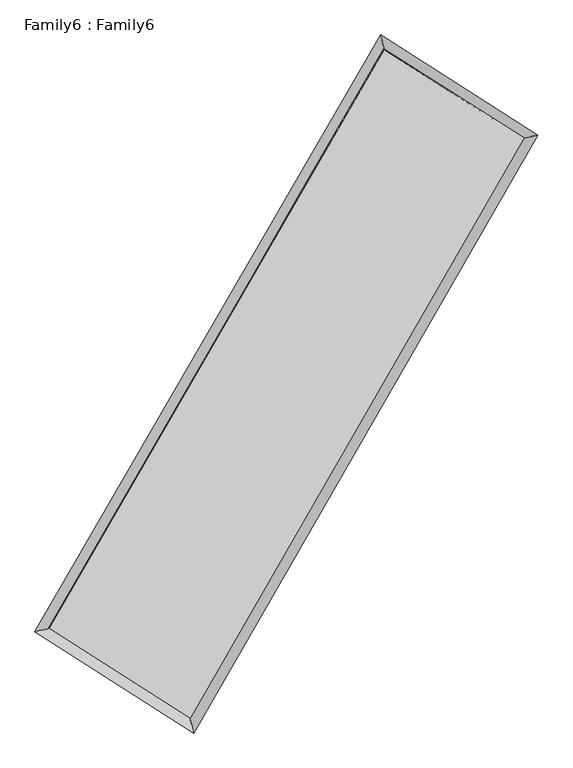
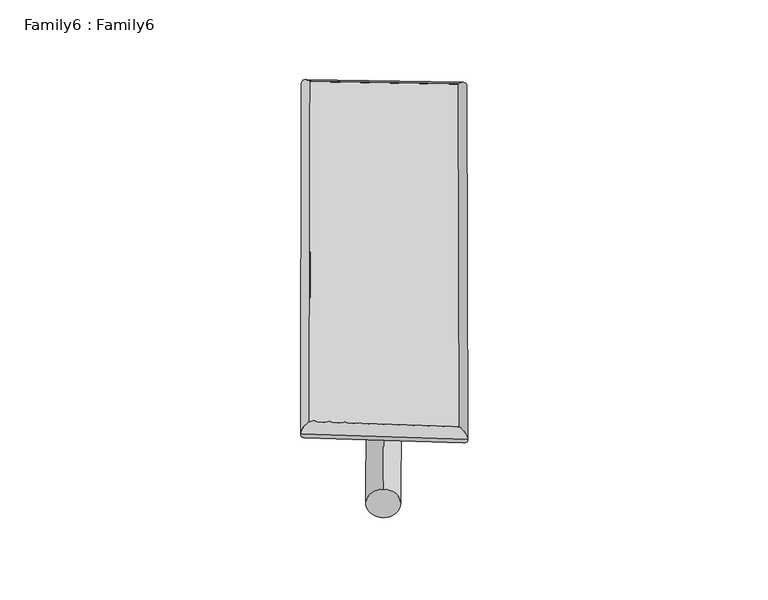
"""IFC4 building model written with IfcOpenShell, lengths in millimetres: plate geometry, Family6 : Family6."""

from ifc_helpers import new_model, si_unit, point, frame, origin, origin_2d, place, context, project, spatial, circle_curve, ellipse_curve, trimmed, segment, composite_curve, outline, extrude, source, transform, mapped, element, save
from ifc_brep_helpers import plane_surface, cylinder_surface, spline_surface, advanced_brep


def family6_family6_00d9a3b5(model_context):
    return source(origin(), model_context, "Body", "SolidModel", [
        extrude(outline(composite_curve([segment(trimmed(circle_curve(origin_2d(), 76.2), [point((-75.4341514, -10.7763074))], [point((75.4341514, 10.7763074))], False, "CARTESIAN"), True, "CONTINUOUS"), segment(trimmed(circle_curve(origin_2d(), 76.2), [point((75.4341514, 10.7763074))], [point((-75.4341514, -10.7763074))], False, "CARTESIAN"), True, "CONTINUOUS")], self_intersect=False)), frame((9144.0, 9144.0, 0.0), z_axis=(0.6684964167530749, 0.6898735226303996, 0.27782559918377353), x_axis=(-0.6821683046090045, 0.7175835008747747, -0.14042906913876038)), (0.0, 0.0, 1.0), 5527.118424),
        extrude(outline(composite_curve([segment(trimmed(circle_curve(origin_2d(), 76.2), [point((-53.8815367, 53.8815367))], [point((53.8815367, -53.8815367))], False, "CARTESIAN"), True, "CONTINUOUS"), segment(trimmed(circle_curve(origin_2d(), 76.2), [point((53.8815367, -53.8815367))], [point((-53.8815367, 53.8815367))], False, "CARTESIAN"), True, "CONTINUOUS")], self_intersect=False)), frame((9144.0, 9144.0, 0.0), z_axis=(-0.6703947505320099, -0.6880836552772183, 0.27769004627365856), x_axis=(0.6449588809302986, -0.35532830629175466, 0.6765869025165725)), (0.0, 0.0, 1.0), 5529.8247478),
        extrude(outline(composite_curve([segment(trimmed(circle_curve(origin_2d(), 76.2), [point((-53.8815367, -53.8815367))], [point((53.8815367, 53.8815367))], False, "CARTESIAN"), True, "CONTINUOUS"), segment(trimmed(circle_curve(origin_2d(), 76.2), [point((53.8815367, 53.8815367))], [point((-53.8815367, -53.8815367))], False, "CARTESIAN"), True, "CONTINUOUS")], self_intersect=False)), frame((9144.0, 9144.0, 0.0), z_axis=(0.2685403047479636, 0.925147221871862, 0.26830714226171226), x_axis=(-0.8403626387531976, 0.3611488391559121, -0.4041808399270059)), (0.0, 0.0, 1.0), 5625.9868463),
        extrude(outline(composite_curve([segment(trimmed(circle_curve(origin_2d(), 76.2), [point((-75.4341514, 10.7763074))], [point((75.4341514, -10.7763074))], False, "CARTESIAN"), True, "CONTINUOUS"), segment(trimmed(circle_curve(origin_2d(), 76.2), [point((75.4341514, -10.7763074))], [point((-75.4341514, 10.7763074))], False, "CARTESIAN"), True, "CONTINUOUS")], self_intersect=False)), frame((9144.0, 9144.0, 0.0), z_axis=(-0.2663102780754034, -0.9258527076691192, 0.26809625042727114), x_axis=(0.8815656868381443, -0.12148218329440173, 0.45616227258686826)), (0.0, 0.0, 1.0), 5631.1847915),
        advanced_brep(
        [(5231.8320156, 5289.0965023, 1533.5338241), (5231.8107315, 5289.0673227, 1538.0987506), (5641.8370197, 5388.9394466, 1537.6207561), (10706.9811804, 14134.9042973, 1512.2999001), (10602.627264, 14562.827905, 1506.6850062), (5641.8583039, 5388.9686262, 1533.0558296), (12634.1186313, 12906.7789336, 1535.3142646), (13043.5990915, 13007.2463807, 1535.8357112), (7591.8418626, 4144.6442132, 1510.1970832), (7696.8733619, 3716.0604135, 1509.2019729)],
        [
            (0, 1, ellipse_curve(frame((5436.8345177, 5339.0179745, 1535.5772901), z_axis=(-0.23664712213995376, 0.9715822441146891, 0.005107103282957624), x_axis=(-0.9715451488205271, -0.23668515027807083, 0.00895340388604474)), 211.0368328, 152.4)),
            (1, 2, ellipse_curve(frame((5436.8345177, 5339.0179745, 1535.5772901), z_axis=(-0.23664712213995376, 0.9715822441146891, 0.005107103282957624), x_axis=(-0.9715451488205271, -0.23668515027807083, 0.00895340388604474)), 211.0368328, 152.4)),
            (2, 3),
            (3, 4, ellipse_curve(frame((10654.8042222, 14348.8661011, 1509.4924531), z_axis=(-0.9714985566333639, -0.23698242473113582, -0.005466701733425531), x_axis=(0.23693072033356175, -0.9714875078547531, 0.008709526070941897)), 220.2517448, 152.4)),
            (4, 0),
            (2, 5, ellipse_curve(frame((5436.8345177, 5339.0179745, 1535.5772901), z_axis=(-0.23664712213995376, 0.9715822441146891, 0.005107103282957624), x_axis=(-0.9715451488205271, -0.23668515027807083, 0.00895340388604474)), 211.0368328, 152.4)),
            (5, 0, ellipse_curve(frame((5436.8345177, 5339.0179745, 1535.5772901), z_axis=(-0.23664712213995376, 0.9715822441146891, 0.005107103282957624), x_axis=(-0.9715451488205271, -0.23668515027807083, 0.00895340388604474)), 211.0368328, 152.4)),
            (4, 3, ellipse_curve(frame((10654.8042222, 14348.8661011, 1509.4924531), z_axis=(-0.9714985566333639, -0.23698242473113582, -0.005466701733425531), x_axis=(0.23693072033356175, -0.9714875078547531, 0.008709526070941897)), 220.2517448, 152.4)),
            (3, 6),
            (6, 7, ellipse_curve(frame((12838.8588614, 12957.0126571, 1535.5749879), z_axis=(-0.23827647324399556, 0.971183191692905, -0.005246948788181572), x_axis=(-0.9711451173529492, -0.23831621623430432, -0.009085269467153849)), 210.8187798, 152.4)),
            (7, 4),
            (7, 6, ellipse_curve(frame((12838.8588614, 12957.0126571, 1535.5749879), z_axis=(-0.23827647324399556, 0.971183191692905, -0.005246948788181572), x_axis=(-0.9711451173529492, -0.23831621623430432, -0.009085269467153849)), 210.8187798, 152.4)),
            (6, 8),
            (8, 9, ellipse_curve(frame((7644.3576123, 3930.3523134, 1509.6995281), z_axis=(0.9712426979616705, 0.23803140743084764, -0.005354505824571759), x_axis=(-0.2379816496857893, 0.9712320133564999, 0.008550476262158463)), 220.6383566, 152.4)),
            (9, 7),
            (9, 8, ellipse_curve(frame((7644.3576123, 3930.3523134, 1509.6995281), z_axis=(0.9712426979616705, 0.23803140743084764, -0.005354505824571759), x_axis=(-0.2379816496857893, 0.9712320133564999, 0.008550476262158463)), 220.6383566, 152.4)),
            (8, 5),
            (1, 9),
        ],
        [
            cylinder_surface(frame((5436.8345177, 5339.0179745, 1535.5772901), z_axis=(-0.5011599907512669, -0.8653510195572658, 0.0025053186206009017), x_axis=(-0.8652654582698108, 0.5010646734405766, -0.015807585363447084)), 152.4),
            cylinder_surface(frame((10654.8042222, 14348.8661011, 1509.4924531), z_axis=(-0.8432686779901076, 0.5373979169808887, -0.010070528557036381), x_axis=(0.5374755523189818, 0.8432421925828829, -0.007914247116289182)), 152.4),
            cylinder_surface(frame((12838.8588614, 12957.0126571, 1535.5749879), z_axis=(0.49877057815295706, 0.8667304872085756, 0.002484534594382574), x_axis=(0.8667337940127409, -0.498770578152957, -0.0006638412800201703)), 152.4),
            cylinder_surface(frame((7644.3576123, 3930.3523134, 1509.6995281), z_axis=(0.8429488712745951, -0.5379029247518987, -0.009881495850285433), x_axis=(-0.5378567284159341, -0.843006534438027, 0.007079731103346617)), 152.4),
        ],
        [
            (0, [[1, 2, 3, 4, 5]]),
            (0, [[6, 7, -5, 8, -3]]),
            (1, [[-4, 9, 10, 11]]),
            (1, [[-8, -11, 12, -9]]),
            (2, [[-10, 13, 14, 15]]),
            (2, [[-12, -15, 16, -13]]),
            (3, [[-14, 17, -6, -2, 18]]),
            (3, [[-16, -18, -1, -7, -17]]),
        ],
    ),
        extrude(outline(composite_curve([segment(trimmed(circle_curve(origin_2d(), 304.8), [point((0.0, -304.8))], [point((0.0, 304.8))], False, "CARTESIAN"), True, "CONTINUOUS"), segment(trimmed(circle_curve(origin_2d(), 304.8), [point((0.0, 304.8))], [point((0.0, -304.8))], False, "CARTESIAN"), True, "CONTINUOUS")], self_intersect=False)), frame((6520.7333539, 4631.4968842, -0.0029936), z_axis=(0.5025801246599405, 0.8645306346778405, 5.735255530232169e-07), x_axis=(-0.8645306346780169, 0.5025801246599405, 1.5459254923096137e-07)), (0.0, 0.0, 1.0), 10439.1977214),
        advanced_brep(
        [(5436.8345177, 5339.0179745, 1535.5772901), (7644.3576123, 3930.3523134, 1509.6995281), (7644.3605047, 3930.3523799, 1662.099528), (5436.8374101, 5339.018041, 1687.9772901), (12838.8588614, 12957.0126571, 1535.5749879), (12838.8617538, 12957.0127236, 1687.9749879), (10654.8042222, 14348.8661011, 1509.4924531), (10654.8071146, 14348.8661676, 1661.8924531)],
        [
            (0, 1),
            (1, 2),
            (2, 3),
            (3, 0),
            (1, 4),
            (4, 5),
            (5, 2),
            (4, 6),
            (6, 7),
            (7, 5),
            (6, 0),
            (3, 7),
        ],
        [
            plane_surface(frame((6540.596065, 4634.6851439, 1522.6384091), z_axis=(-0.5379291000178018, -0.8429900849014529, 1.0577303176036688e-05), x_axis=(0.8429488712745956, -0.5379029247518983, -0.00988149585028544))),
            plane_surface(frame((10241.6082368, 8443.6824852, 1522.637258), z_axis=(0.8667331823473977, -0.4987720825732677, -1.6232013573670538e-05), x_axis=(0.49877057815295656, 0.8667304872085757, 0.00248453459438257))),
            plane_surface(frame((11746.8315418, 13652.9393791, 1522.5337205), z_axis=(0.5374252590284314, 0.8433113842742452, -1.0567881035272904e-05), x_axis=(-0.8432686779901079, 0.5373979169808885, -0.010070528557036381))),
            plane_surface(frame((8045.8193699, 9843.9420378, 1522.5348716), z_axis=(-0.8653537148504886, 0.5011615986205089, 1.6204789687836955e-05), x_axis=(-0.5011599907512668, -0.8653510195572658, 0.002505318620600906))),
            spline_surface(1, 1, [[(7644.3605047, 3930.3523799, 1662.099528), (5436.8374101, 5339.018041, 1687.9772901)], [(12838.8617538, 12957.0127236, 1687.9749879), (10654.8071146, 14348.8661676, 1661.8924531)]], [2, 2], [2, 2], [0.0, 1.0], [0.0, 1.0]),
            spline_surface(1, 1, [[(10654.8042222, 14348.8661011, 1509.4924531), (5436.8345177, 5339.0179745, 1535.5772901)], [(12838.8588614, 12957.0126571, 1535.5749879), (7644.3576123, 3930.3523134, 1509.6995281)]], [2, 2], [2, 2], [0.0, 1.0], [0.0, 1.0]),
        ],
        [
            (0, [[1, 2, 3, 4]]),
            (1, [[5, 6, 7, -2]]),
            (2, [[8, 9, 10, -6]]),
            (3, [[11, -4, 12, -9]]),
            (4, [[-3, -7, -10, -12]]),
            (5, [[-11, -8, -5, -1]]),
        ],
    ),
    ])


if __name__ == "__main__":
    model = new_model("IFC4")
    model_context = context("Model", 3, world=origin())
    ifc_project = project(units=[si_unit("LENGTHUNIT", "METRE", prefix="MILLI")], contexts=[model_context])
    site = spatial("IfcSite", under=ifc_project)
    building = spatial("IfcBuilding", under=site)
    placement = place(None, origin())
    family6_family6_shape = family6_family6_00d9a3b5(model_context)
    element("IfcPlate", 1, ObjectType="Family6 : Family6", at=placement, inside=building, context=model_context, shape_type="MappedRepresentation", body=[
        mapped(family6_family6_shape, transform((0.0, 0.0, 0.0), x_axis=(1.0, 0.0, 0.0), y_axis=(0.0, 1.0, 0.0), z_axis=(0.0, 0.0, 1.0))),
    ])
    save(model, "model.ifc")
